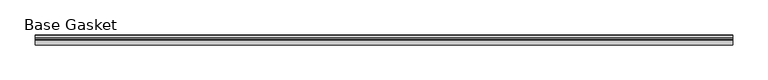
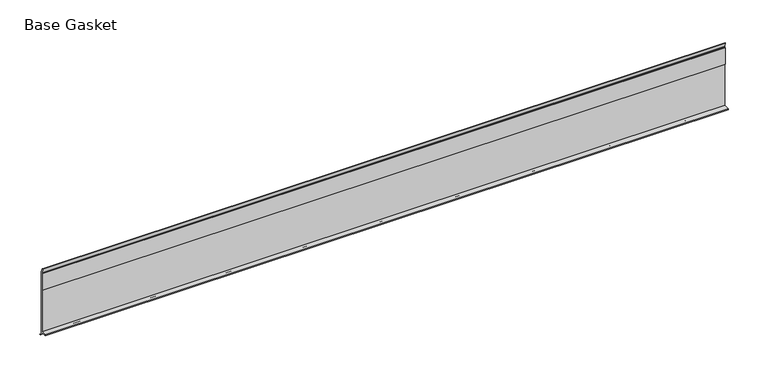
"""IFC4 building model written with IfcOpenShell, lengths in millimetres: furniture geometry, Base Gasket."""

from ifc_helpers import new_model, si_unit, frame, origin, place, context, project, spatial, polyline, outline, extrude, source, transform, mapped, element, save


def base_gasket_4e6f92f0(model_context):
    return source(origin(), model_context, "Body", "SweptSolid", [
        extrude(outline(polyline([(3.7283812, 98.4568417), (3.7283812, 4.3498477), (7.4222115, 0.6560174), (7.8482342, 0.0), (6.8281054, 0.3520979), (2.2043812, 4.3498477), (2.1334222, 6.3818476), (-6.2405171, 6.3818476), (-6.2405171, 7.9398773), (2.2043812, 7.9398773), (2.2043812, 71.4693447), (1.4106313, 71.4693447), (1.4106313, 96.8693477), (2.2043812, 96.8693477), (2.2043812, 98.4568417), (0.6755308, 104.4162708), (0.6755308, 105.2002997), (1.1891543, 104.587663), (3.7283812, 98.4568417)])), frame((-1527.8982117, 0.0, 0.0), z_axis=(1.0, 0.0, 0.0), x_axis=(0.0, 1.0, 0.0)), (0.0, 0.0, 1.0), 990.6),
    ])


if __name__ == "__main__":
    model = new_model("IFC4")
    model_context = context("Model", 3, world=origin())
    ifc_project = project(units=[si_unit("LENGTHUNIT", "METRE", prefix="MILLI")], contexts=[model_context])
    site = spatial("IfcSite", under=ifc_project)
    building = spatial("IfcBuilding", under=site)
    placement = place(None, origin())
    base_gasket_shape = base_gasket_4e6f92f0(model_context)
    element("IfcFurniture", 1, ObjectType="Base Gasket", at=placement, inside=building, context=model_context, shape_type="MappedRepresentation", body=[
        mapped(base_gasket_shape, transform((0.0, 0.0, 0.0), x_axis=(1.0, 0.0, 0.0), y_axis=(0.0, 1.0, 0.0), z_axis=(0.0, 0.0, 1.0))),
    ])
    save(model, "model.ifc")
